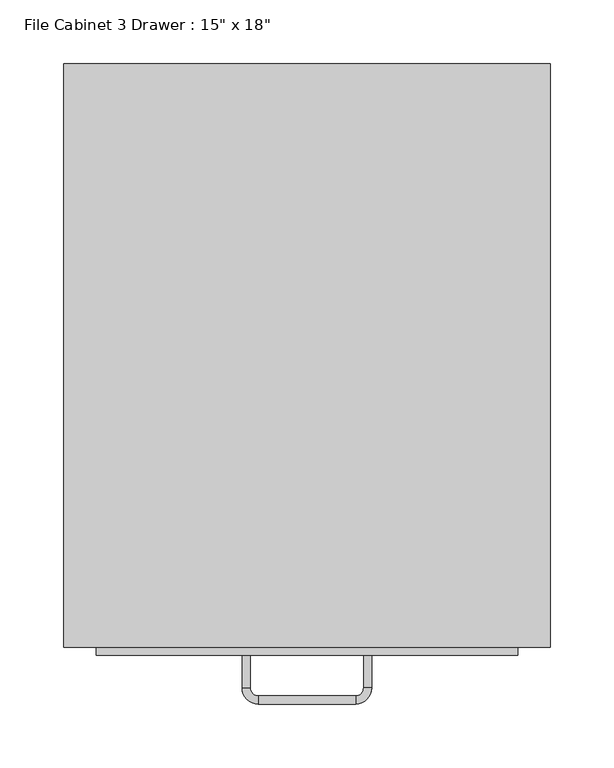
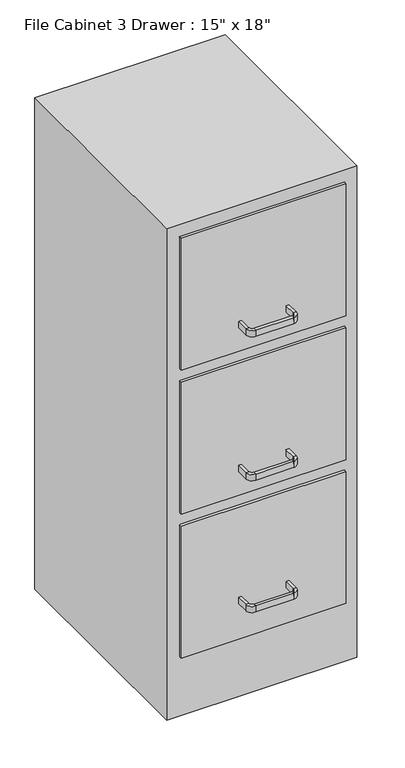
"""IFC4 building model written with IfcOpenShell, lengths in millimetres: furniture geometry."""

from ifc_helpers import new_model, si_unit, frame, origin, origin_with_axes, place, context, project, spatial, polyline, circle_curve, outline, extrude, source, transform, mapped, element, save
from ifc_brep_helpers import plane_surface, cylinder_surface, revolved_surface, advanced_brep


def furniture_552c1472(model_context):
    return source(origin(), model_context, "Body", "SolidModel", [
        extrude(outline(polyline([(62.603553, 86.4656999), (62.603553, -370.7343001), (-318.396447, -370.7343001), (-318.396447, 86.4656999), (62.603553, 86.4656999)])), origin_with_axes(), (0.0, 0.0, 1.0), 1041.4),
        extrude(outline(polyline([(37.203553, -377.0843001), (-292.996447, -377.0843001), (-292.996447, -370.7343001), (37.203553, -370.7343001), (37.203553, -377.0843001)])), frame((0.0, 0.0, 736.6), z_axis=(0.0, 0.0, 1.0), x_axis=(1.0, 0.0, 0.0)), (0.0, 0.0, 1.0), 279.4),
        extrude(outline(polyline([(37.203553, -377.0843001), (-292.996447, -377.0843001), (-292.996447, -370.7343001), (37.203553, -370.7343001), (37.203553, -377.0843001)])), frame((0.0, 0.0, 431.8), z_axis=(0.0, 0.0, 1.0), x_axis=(1.0, 0.0, 0.0)), (0.0, 0.0, 1.0), 279.4),
        extrude(outline(polyline([(37.203553, -377.0843001), (-292.996447, -377.0843001), (-292.996447, -370.7343001), (37.203553, -370.7343001), (37.203553, -377.0843001)])), frame((0.0, 0.0, 127.0), z_axis=(0.0, 0.0, 1.0), x_axis=(1.0, 0.0, 0.0)), (0.0, 0.0, 1.0), 279.4),
        advanced_brep(
        [(-172.346447, -377.0843001, 203.2), (-178.696447, -377.0843001, 203.2), (-178.696447, -377.0843001, 215.9), (-172.346447, -377.0843001, 215.9), (-172.346447, -402.4843001, 203.2), (-178.696447, -402.4843001, 203.2), (-178.696447, -402.4843001, 215.9), (-172.346447, -402.4843001, 215.9), (-165.996447, -415.1843001, 203.2), (-165.996447, -408.8343001, 203.2), (-165.996447, -415.1843001, 215.9), (-165.996447, -408.8343001, 215.9), (-89.796447, -408.8343001, 203.2), (-89.796447, -415.1843001, 203.2), (-89.796447, -415.1843001, 215.9), (-89.796447, -408.8343001, 215.9), (-77.096447, -402.4843001, 203.2), (-83.446447, -402.4843001, 203.2), (-77.096447, -402.4843001, 215.9), (-83.446447, -402.4843001, 215.9), (-83.446447, -377.0843001, 203.2), (-83.446447, -377.0843001, 215.9), (-77.096447, -377.0843001, 215.9), (-77.096447, -377.0843001, 203.2)],
        [
            (0, 1),
            (1, 2),
            (2, 3),
            (3, 0),
            (0, 4),
            (4, 5),
            (5, 1),
            (5, 6),
            (6, 2),
            (6, 7),
            (7, 3),
            (7, 4),
            (8, 5, circle_curve(frame((-165.996447, -402.4843001, 203.2), z_axis=(0.0, 0.0, -1.0), x_axis=(-1.0, 0.0, 0.0)), 12.7)),
            (4, 9, circle_curve(frame((-165.996447, -402.4843001, 203.2), z_axis=(0.0, 0.0, 1.0), x_axis=(-1.0, 0.0, 0.0)), 6.35)),
            (9, 8),
            (10, 6, circle_curve(frame((-165.996447, -402.4843001, 215.9), z_axis=(0.0, 0.0, -1.0), x_axis=(-1.0, 0.0, 0.0)), 12.7)),
            (8, 10),
            (11, 7, circle_curve(frame((-165.996447, -402.4843001, 215.9), z_axis=(0.0, 0.0, -1.0), x_axis=(-1.0, 0.0, 0.0)), 6.35)),
            (10, 11),
            (11, 9),
            (9, 12),
            (12, 13),
            (13, 8),
            (13, 14),
            (14, 10),
            (14, 15),
            (15, 11),
            (15, 12),
            (16, 13, circle_curve(frame((-89.796447, -402.4843001, 203.2), z_axis=(0.0, 0.0, -1.0), x_axis=(0.0, -1.0, 0.0)), 12.7)),
            (12, 17, circle_curve(frame((-89.796447, -402.4843001, 203.2), z_axis=(0.0, 0.0, 1.0), x_axis=(0.0, -1.0, 0.0)), 6.35)),
            (17, 16),
            (18, 14, circle_curve(frame((-89.796447, -402.4843001, 215.9), z_axis=(0.0, 0.0, -1.0), x_axis=(0.0, -1.0, 0.0)), 12.7)),
            (16, 18),
            (19, 15, circle_curve(frame((-89.796447, -402.4843001, 215.9), z_axis=(0.0, 0.0, -1.0), x_axis=(0.0, -1.0, 0.0)), 6.35)),
            (18, 19),
            (19, 17),
            (20, 21),
            (21, 22),
            (22, 23),
            (23, 20),
            (17, 20),
            (23, 16),
            (22, 18),
            (21, 19),
        ],
        [
            plane_surface(frame((-978.8216451, -377.0843001, 0.0), z_axis=(0.0, 1.0, 0.0), x_axis=(0.0, 0.0, -1.0))),
            plane_surface(frame((-172.346447, -377.0843001, 203.2), z_axis=(0.0, 0.0, -1.0), x_axis=(0.0, -1.0, 0.0))),
            plane_surface(frame((-178.696447, -377.0843001, 203.2), z_axis=(-1.0, 0.0, 0.0), x_axis=(0.0, -1.0, 0.0))),
            plane_surface(frame((-178.696447, -377.0843001, 215.9), z_axis=(0.0, 0.0, 1.0), x_axis=(0.0, -1.0, 0.0))),
            plane_surface(frame((-172.346447, -377.0843001, 215.9), z_axis=(1.0, 0.0, 0.0), x_axis=(0.0, -1.0, 0.0))),
            plane_surface(frame((-165.996447, -402.4843001, 203.2), z_axis=(0.0, 0.0, -1.0), x_axis=(-1.0, 0.0, 0.0))),
            cylinder_surface(frame((-165.996447, -402.4843001, 0.0), z_axis=(0.0, 0.0, 1.0), x_axis=(-1.0, 0.0, 0.0)), 12.7),
            plane_surface(frame((-165.996447, -402.4843001, 215.9), z_axis=(0.0, 0.0, 1.0), x_axis=(-1.0, 0.0, 0.0))),
            revolved_surface(polyline([(-172.34644699999998, -402.4843001, 215.9), (-172.34644699999998, -402.4843001, 203.2)]), (-165.996447, -402.4843001, 0.0), (0.0, 0.0, 1.0)),
            plane_surface(frame((-165.996447, -408.8343001, 203.2), z_axis=(0.0, 0.0, -1.0), x_axis=(1.0, 0.0, 0.0))),
            plane_surface(frame((-165.996447, -415.1843001, 203.2), z_axis=(0.0, -1.0, 0.0), x_axis=(1.0, 0.0, 0.0))),
            plane_surface(frame((-165.996447, -415.1843001, 215.9), z_axis=(0.0, 0.0, 1.0), x_axis=(1.0, 0.0, 0.0))),
            plane_surface(frame((-165.996447, -408.8343001, 215.9), z_axis=(0.0, 1.0, 0.0), x_axis=(1.0, 0.0, 0.0))),
            plane_surface(frame((-89.796447, -402.4843001, 203.2), z_axis=(0.0, 0.0, -1.0), x_axis=(0.0, -1.0, 0.0))),
            cylinder_surface(frame((-89.796447, -402.4843001, 0.0), z_axis=(0.0, 0.0, 1.0), x_axis=(0.0, -1.0, 0.0)), 12.7),
            plane_surface(frame((-89.796447, -402.4843001, 215.9), z_axis=(0.0, 0.0, 1.0), x_axis=(0.0, -1.0, 0.0))),
            revolved_surface(polyline([(-89.796447, -408.8343001, 215.9), (-89.796447, -408.8343001, 203.2)]), (-89.796447, -402.4843001, 0.0), (0.0, 0.0, 1.0)),
            plane_surface(frame((-877.2216451, -377.0843001, 0.0), z_axis=(0.0, 1.0, 0.0), x_axis=(0.0, 0.0, 1.0))),
            plane_surface(frame((-83.446447, -402.4843001, 203.2), z_axis=(0.0, 0.0, -1.0), x_axis=(0.0, 1.0, 0.0))),
            plane_surface(frame((-77.096447, -402.4843001, 203.2), z_axis=(1.0, 0.0, 0.0), x_axis=(0.0, 1.0, 0.0))),
            plane_surface(frame((-77.096447, -402.4843001, 215.9), z_axis=(0.0, 0.0, 1.0), x_axis=(0.0, 1.0, 0.0))),
            plane_surface(frame((-83.446447, -402.4843001, 215.9), z_axis=(-1.0, 0.0, 0.0), x_axis=(0.0, 1.0, 0.0))),
        ],
        [
            (0, [[1, 2, 3, 4]]),
            (1, [[-1, 5, 6, 7]]),
            (2, [[-2, -7, 8, 9]]),
            (3, [[-3, -9, 10, 11]]),
            (4, [[-4, -11, 12, -5]]),
            (5, [[13, -6, 14, 15]]),
            (6, [[16, -8, -13, 17]]),
            (7, [[18, -10, -16, 19]]),
            (8, [[-14, -12, -18, 20]]),
            (9, [[-15, 21, 22, 23]]),
            (10, [[-17, -23, 24, 25]]),
            (11, [[-19, -25, 26, 27]]),
            (12, [[-20, -27, 28, -21]]),
            (13, [[29, -22, 30, 31]]),
            (14, [[32, -24, -29, 33]]),
            (15, [[34, -26, -32, 35]]),
            (16, [[-30, -28, -34, 36]]),
            (17, [[37, 38, 39, 40]]),
            (18, [[-31, 41, -40, 42]]),
            (19, [[-33, -42, -39, 43]]),
            (20, [[-35, -43, -38, 44]]),
            (21, [[-36, -44, -37, -41]]),
        ],
    ),
        advanced_brep(
        [(-172.346447, -377.0843001, 482.6), (-178.696447, -377.0843001, 482.6), (-178.696447, -377.0843001, 495.3), (-172.346447, -377.0843001, 495.3), (-172.346447, -402.4843001, 482.6), (-178.696447, -402.4843001, 482.6), (-178.696447, -402.4843001, 495.3), (-172.346447, -402.4843001, 495.3), (-165.996447, -415.1843001, 482.6), (-165.996447, -408.8343001, 482.6), (-165.996447, -415.1843001, 495.3), (-165.996447, -408.8343001, 495.3), (-89.796447, -408.8343001, 482.6), (-89.796447, -415.1843001, 482.6), (-89.796447, -415.1843001, 495.3), (-89.796447, -408.8343001, 495.3), (-77.096447, -402.4843001, 482.6), (-83.446447, -402.4843001, 482.6), (-77.096447, -402.4843001, 495.3), (-83.446447, -402.4843001, 495.3), (-83.446447, -377.0843001, 482.6), (-83.446447, -377.0843001, 495.3), (-77.096447, -377.0843001, 495.3), (-77.096447, -377.0843001, 482.6)],
        [
            (0, 1),
            (1, 2),
            (2, 3),
            (3, 0),
            (0, 4),
            (4, 5),
            (5, 1),
            (5, 6),
            (6, 2),
            (6, 7),
            (7, 3),
            (7, 4),
            (8, 5, circle_curve(frame((-165.996447, -402.4843001, 482.6), z_axis=(0.0, 0.0, -1.0), x_axis=(-1.0, 0.0, 0.0)), 12.7)),
            (4, 9, circle_curve(frame((-165.996447, -402.4843001, 482.6), z_axis=(0.0, 0.0, 1.0), x_axis=(-1.0, 0.0, 0.0)), 6.35)),
            (9, 8),
            (10, 6, circle_curve(frame((-165.996447, -402.4843001, 495.3), z_axis=(0.0, 0.0, -1.0), x_axis=(-1.0, 0.0, 0.0)), 12.7)),
            (8, 10),
            (11, 7, circle_curve(frame((-165.996447, -402.4843001, 495.3), z_axis=(0.0, 0.0, -1.0), x_axis=(-1.0, 0.0, 0.0)), 6.35)),
            (10, 11),
            (11, 9),
            (9, 12),
            (12, 13),
            (13, 8),
            (13, 14),
            (14, 10),
            (14, 15),
            (15, 11),
            (15, 12),
            (16, 13, circle_curve(frame((-89.796447, -402.4843001, 482.6), z_axis=(0.0, 0.0, -1.0), x_axis=(0.0, -1.0, 0.0)), 12.7)),
            (12, 17, circle_curve(frame((-89.796447, -402.4843001, 482.6), z_axis=(0.0, 0.0, 1.0), x_axis=(0.0, -1.0, 0.0)), 6.35)),
            (17, 16),
            (18, 14, circle_curve(frame((-89.796447, -402.4843001, 495.3), z_axis=(0.0, 0.0, -1.0), x_axis=(0.0, -1.0, 0.0)), 12.7)),
            (16, 18),
            (19, 15, circle_curve(frame((-89.796447, -402.4843001, 495.3), z_axis=(0.0, 0.0, -1.0), x_axis=(0.0, -1.0, 0.0)), 6.35)),
            (18, 19),
            (19, 17),
            (20, 21),
            (21, 22),
            (22, 23),
            (23, 20),
            (17, 20),
            (23, 16),
            (22, 18),
            (21, 19),
        ],
        [
            plane_surface(frame((-978.8216451, -377.0843001, 0.0), z_axis=(0.0, 1.0, 0.0), x_axis=(0.0, 0.0, -1.0))),
            plane_surface(frame((-172.346447, -377.0843001, 482.6), z_axis=(0.0, 0.0, -1.0), x_axis=(0.0, -1.0, 0.0))),
            plane_surface(frame((-178.696447, -377.0843001, 482.6), z_axis=(-1.0, 0.0, 0.0), x_axis=(0.0, -1.0, 0.0))),
            plane_surface(frame((-178.696447, -377.0843001, 495.3), z_axis=(0.0, 0.0, 1.0), x_axis=(0.0, -1.0, 0.0))),
            plane_surface(frame((-172.346447, -377.0843001, 495.3), z_axis=(1.0, 0.0, 0.0), x_axis=(0.0, -1.0, 0.0))),
            plane_surface(frame((-165.996447, -402.4843001, 482.6), z_axis=(0.0, 0.0, -1.0), x_axis=(-1.0, 0.0, 0.0))),
            cylinder_surface(frame((-165.996447, -402.4843001, 0.0), z_axis=(0.0, 0.0, 1.0), x_axis=(-1.0, 0.0, 0.0)), 12.7),
            plane_surface(frame((-165.996447, -402.4843001, 495.3), z_axis=(0.0, 0.0, 1.0), x_axis=(-1.0, 0.0, 0.0))),
            revolved_surface(polyline([(-172.34644699999998, -402.4843001, 495.3), (-172.34644699999998, -402.4843001, 482.6)]), (-165.996447, -402.4843001, 0.0), (0.0, 0.0, 1.0)),
            plane_surface(frame((-165.996447, -408.8343001, 482.6), z_axis=(0.0, 0.0, -1.0), x_axis=(1.0, 0.0, 0.0))),
            plane_surface(frame((-165.996447, -415.1843001, 482.6), z_axis=(0.0, -1.0, 0.0), x_axis=(1.0, 0.0, 0.0))),
            plane_surface(frame((-165.996447, -415.1843001, 495.3), z_axis=(0.0, 0.0, 1.0), x_axis=(1.0, 0.0, 0.0))),
            plane_surface(frame((-165.996447, -408.8343001, 495.3), z_axis=(0.0, 1.0, 0.0), x_axis=(1.0, 0.0, 0.0))),
            plane_surface(frame((-89.796447, -402.4843001, 482.6), z_axis=(0.0, 0.0, -1.0), x_axis=(0.0, -1.0, 0.0))),
            cylinder_surface(frame((-89.796447, -402.4843001, 0.0), z_axis=(0.0, 0.0, 1.0), x_axis=(0.0, -1.0, 0.0)), 12.7),
            plane_surface(frame((-89.796447, -402.4843001, 495.3), z_axis=(0.0, 0.0, 1.0), x_axis=(0.0, -1.0, 0.0))),
            revolved_surface(polyline([(-89.796447, -408.8343001, 495.3), (-89.796447, -408.8343001, 482.6)]), (-89.796447, -402.4843001, 0.0), (0.0, 0.0, 1.0)),
            plane_surface(frame((-877.2216451, -377.0843001, 0.0), z_axis=(0.0, 1.0, 0.0), x_axis=(0.0, 0.0, 1.0))),
            plane_surface(frame((-83.446447, -402.4843001, 482.6), z_axis=(0.0, 0.0, -1.0), x_axis=(0.0, 1.0, 0.0))),
            plane_surface(frame((-77.096447, -402.4843001, 482.6), z_axis=(1.0, 0.0, 0.0), x_axis=(0.0, 1.0, 0.0))),
            plane_surface(frame((-77.096447, -402.4843001, 495.3), z_axis=(0.0, 0.0, 1.0), x_axis=(0.0, 1.0, 0.0))),
            plane_surface(frame((-83.446447, -402.4843001, 495.3), z_axis=(-1.0, 0.0, 0.0), x_axis=(0.0, 1.0, 0.0))),
        ],
        [
            (0, [[1, 2, 3, 4]]),
            (1, [[-1, 5, 6, 7]]),
            (2, [[-2, -7, 8, 9]]),
            (3, [[-3, -9, 10, 11]]),
            (4, [[-4, -11, 12, -5]]),
            (5, [[13, -6, 14, 15]]),
            (6, [[16, -8, -13, 17]]),
            (7, [[18, -10, -16, 19]]),
            (8, [[-14, -12, -18, 20]]),
            (9, [[-15, 21, 22, 23]]),
            (10, [[-17, -23, 24, 25]]),
            (11, [[-19, -25, 26, 27]]),
            (12, [[-20, -27, 28, -21]]),
            (13, [[29, -22, 30, 31]]),
            (14, [[32, -24, -29, 33]]),
            (15, [[34, -26, -32, 35]]),
            (16, [[-30, -28, -34, 36]]),
            (17, [[37, 38, 39, 40]]),
            (18, [[-31, 41, -40, 42]]),
            (19, [[-33, -42, -39, 43]]),
            (20, [[-35, -43, -38, 44]]),
            (21, [[-36, -44, -37, -41]]),
        ],
    ),
        advanced_brep(
        [(-172.346447, -377.0843001, 787.4), (-178.696447, -377.0843001, 787.4), (-178.696447, -377.0843001, 800.1), (-172.346447, -377.0843001, 800.1), (-172.346447, -402.4843001, 787.4), (-178.696447, -402.4843001, 787.4), (-178.696447, -402.4843001, 800.1), (-172.346447, -402.4843001, 800.1), (-165.996447, -415.1843001, 787.4), (-165.996447, -408.8343001, 787.4), (-165.996447, -415.1843001, 800.1), (-165.996447, -408.8343001, 800.1), (-89.796447, -408.8343001, 787.4), (-89.796447, -415.1843001, 787.4), (-89.796447, -415.1843001, 800.1), (-89.796447, -408.8343001, 800.1), (-77.096447, -402.4843001, 787.4), (-83.446447, -402.4843001, 787.4), (-77.096447, -402.4843001, 800.1), (-83.446447, -402.4843001, 800.1), (-83.446447, -377.0843001, 787.4), (-83.446447, -377.0843001, 800.1), (-77.096447, -377.0843001, 800.1), (-77.096447, -377.0843001, 787.4)],
        [
            (0, 1),
            (1, 2),
            (2, 3),
            (3, 0),
            (0, 4),
            (4, 5),
            (5, 1),
            (5, 6),
            (6, 2),
            (6, 7),
            (7, 3),
            (7, 4),
            (8, 5, circle_curve(frame((-165.996447, -402.4843001, 787.4), z_axis=(0.0, 0.0, -1.0), x_axis=(-1.0, 0.0, 0.0)), 12.7)),
            (4, 9, circle_curve(frame((-165.996447, -402.4843001, 787.4), z_axis=(0.0, 0.0, 1.0), x_axis=(-1.0, 0.0, 0.0)), 6.35)),
            (9, 8),
            (10, 6, circle_curve(frame((-165.996447, -402.4843001, 800.1), z_axis=(0.0, 0.0, -1.0), x_axis=(-1.0, 0.0, 0.0)), 12.7)),
            (8, 10),
            (11, 7, circle_curve(frame((-165.996447, -402.4843001, 800.1), z_axis=(0.0, 0.0, -1.0), x_axis=(-1.0, 0.0, 0.0)), 6.35)),
            (10, 11),
            (11, 9),
            (9, 12),
            (12, 13),
            (13, 8),
            (13, 14),
            (14, 10),
            (14, 15),
            (15, 11),
            (15, 12),
            (16, 13, circle_curve(frame((-89.796447, -402.4843001, 787.4), z_axis=(0.0, 0.0, -1.0), x_axis=(0.0, -1.0, 0.0)), 12.7)),
            (12, 17, circle_curve(frame((-89.796447, -402.4843001, 787.4), z_axis=(0.0, 0.0, 1.0), x_axis=(0.0, -1.0, 0.0)), 6.35)),
            (17, 16),
            (18, 14, circle_curve(frame((-89.796447, -402.4843001, 800.1), z_axis=(0.0, 0.0, -1.0), x_axis=(0.0, -1.0, 0.0)), 12.7)),
            (16, 18),
            (19, 15, circle_curve(frame((-89.796447, -402.4843001, 800.1), z_axis=(0.0, 0.0, -1.0), x_axis=(0.0, -1.0, 0.0)), 6.35)),
            (18, 19),
            (19, 17),
            (20, 21),
            (21, 22),
            (22, 23),
            (23, 20),
            (17, 20),
            (23, 16),
            (22, 18),
            (21, 19),
        ],
        [
            plane_surface(frame((-978.8216451, -377.0843001, 0.0), z_axis=(0.0, 1.0, 0.0), x_axis=(0.0, 0.0, -1.0))),
            plane_surface(frame((-172.346447, -377.0843001, 787.4), z_axis=(0.0, 0.0, -1.0), x_axis=(0.0, -1.0, 0.0))),
            plane_surface(frame((-178.696447, -377.0843001, 787.4), z_axis=(-1.0, 0.0, 0.0), x_axis=(0.0, -1.0, 0.0))),
            plane_surface(frame((-178.696447, -377.0843001, 800.1), z_axis=(0.0, 0.0, 1.0), x_axis=(0.0, -1.0, 0.0))),
            plane_surface(frame((-172.346447, -377.0843001, 800.1), z_axis=(1.0, 0.0, 0.0), x_axis=(0.0, -1.0, 0.0))),
            plane_surface(frame((-165.996447, -402.4843001, 787.4), z_axis=(0.0, 0.0, -1.0), x_axis=(-1.0, 0.0, 0.0))),
            cylinder_surface(frame((-165.996447, -402.4843001, 0.0), z_axis=(0.0, 0.0, 1.0), x_axis=(-1.0, 0.0, 0.0)), 12.7),
            plane_surface(frame((-165.996447, -402.4843001, 800.1), z_axis=(0.0, 0.0, 1.0), x_axis=(-1.0, 0.0, 0.0))),
            revolved_surface(polyline([(-172.34644699999998, -402.4843001, 800.1), (-172.34644699999998, -402.4843001, 787.4)]), (-165.996447, -402.4843001, 0.0), (0.0, 0.0, 1.0)),
            plane_surface(frame((-165.996447, -408.8343001, 787.4), z_axis=(0.0, 0.0, -1.0), x_axis=(1.0, 0.0, 0.0))),
            plane_surface(frame((-165.996447, -415.1843001, 787.4), z_axis=(0.0, -1.0, 0.0), x_axis=(1.0, 0.0, 0.0))),
            plane_surface(frame((-165.996447, -415.1843001, 800.1), z_axis=(0.0, 0.0, 1.0), x_axis=(1.0, 0.0, 0.0))),
            plane_surface(frame((-165.996447, -408.8343001, 800.1), z_axis=(0.0, 1.0, 0.0), x_axis=(1.0, 0.0, 0.0))),
            plane_surface(frame((-89.796447, -402.4843001, 787.4), z_axis=(0.0, 0.0, -1.0), x_axis=(0.0, -1.0, 0.0))),
            cylinder_surface(frame((-89.796447, -402.4843001, 0.0), z_axis=(0.0, 0.0, 1.0), x_axis=(0.0, -1.0, 0.0)), 12.7),
            plane_surface(frame((-89.796447, -402.4843001, 800.1), z_axis=(0.0, 0.0, 1.0), x_axis=(0.0, -1.0, 0.0))),
            revolved_surface(polyline([(-89.796447, -408.8343001, 800.1), (-89.796447, -408.8343001, 787.4)]), (-89.796447, -402.4843001, 0.0), (0.0, 0.0, 1.0)),
            plane_surface(frame((-877.2216451, -377.0843001, 0.0), z_axis=(0.0, 1.0, 0.0), x_axis=(0.0, 0.0, 1.0))),
            plane_surface(frame((-83.446447, -402.4843001, 787.4), z_axis=(0.0, 0.0, -1.0), x_axis=(0.0, 1.0, 0.0))),
            plane_surface(frame((-77.096447, -402.4843001, 787.4), z_axis=(1.0, 0.0, 0.0), x_axis=(0.0, 1.0, 0.0))),
            plane_surface(frame((-77.096447, -402.4843001, 800.1), z_axis=(0.0, 0.0, 1.0), x_axis=(0.0, 1.0, 0.0))),
            plane_surface(frame((-83.446447, -402.4843001, 800.1), z_axis=(-1.0, 0.0, 0.0), x_axis=(0.0, 1.0, 0.0))),
        ],
        [
            (0, [[1, 2, 3, 4]]),
            (1, [[-1, 5, 6, 7]]),
            (2, [[-2, -7, 8, 9]]),
            (3, [[-3, -9, 10, 11]]),
            (4, [[-4, -11, 12, -5]]),
            (5, [[13, -6, 14, 15]]),
            (6, [[16, -8, -13, 17]]),
            (7, [[18, -10, -16, 19]]),
            (8, [[-14, -12, -18, 20]]),
            (9, [[-15, 21, 22, 23]]),
            (10, [[-17, -23, 24, 25]]),
            (11, [[-19, -25, 26, 27]]),
            (12, [[-20, -27, 28, -21]]),
            (13, [[29, -22, 30, 31]]),
            (14, [[32, -24, -29, 33]]),
            (15, [[34, -26, -32, 35]]),
            (16, [[-30, -28, -34, 36]]),
            (17, [[37, 38, 39, 40]]),
            (18, [[-31, 41, -40, 42]]),
            (19, [[-33, -42, -39, 43]]),
            (20, [[-35, -43, -38, 44]]),
            (21, [[-36, -44, -37, -41]]),
        ],
    ),
    ])


if __name__ == "__main__":
    model = new_model("IFC4")
    model_context = context("Model", 3, world=origin())
    ifc_project = project(units=[si_unit("LENGTHUNIT", "METRE", prefix="MILLI")], contexts=[model_context])
    site = spatial("IfcSite", under=ifc_project)
    building = spatial("IfcBuilding", under=site)
    placement = place(None, origin())
    furniture_shape = furniture_552c1472(model_context)
    element("IfcFurniture", 1, ObjectType="File Cabinet 3 Drawer : 15\" x 18\"", at=placement, inside=building, context=model_context, shape_type="MappedRepresentation", body=[
        mapped(furniture_shape, transform((0.0, 0.0, 0.0), x_axis=(1.0, 0.0, 0.0), y_axis=(0.0, 1.0, 0.0), z_axis=(0.0, 0.0, 1.0))),
    ])
    save(model, "model.ifc")
